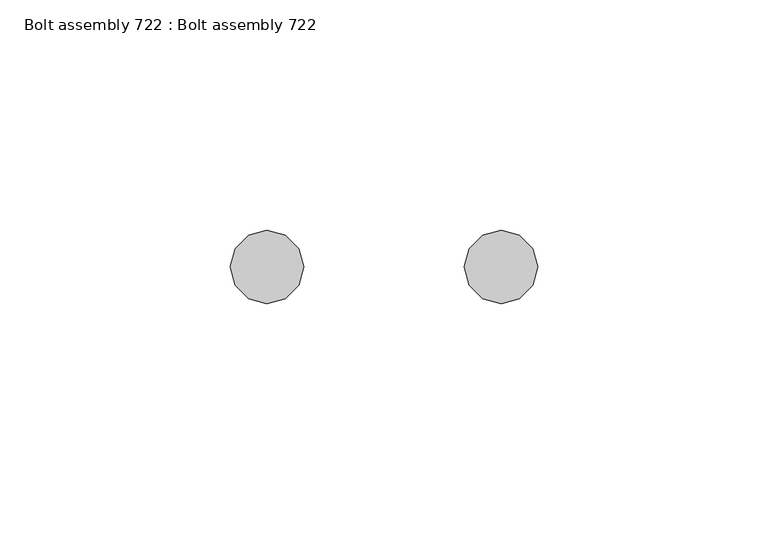
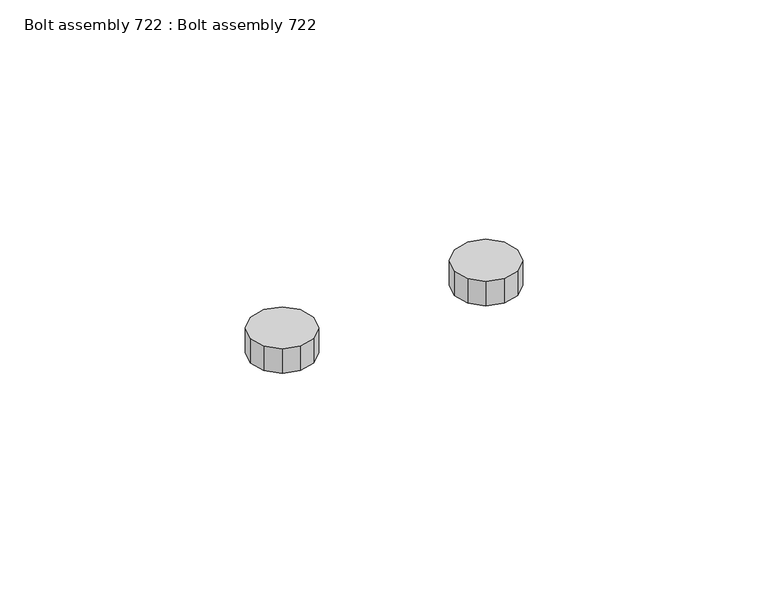
"""IFC4 building model written with IfcOpenShell, lengths in millimetres: proxy geometry, Bolt assembly 722 : Bolt assembly 722."""

from ifc_helpers import new_model, si_unit, frame, origin, place, context, project, spatial, polyline, outline, extrude, source, transform, mapped, element, save


def bolt_assembly_722_bolt_assembly_722_6913cfd1(model_context):
    return source(origin(), model_context, "Body", "SweptSolid", [
        extrude(outline(polyline([(-29.1012395, 2553.6934307), (-26.1949977, 2556.5996724), (-22.2249977, 2557.6634307), (-18.2549977, 2556.5996724), (-15.348756, 2553.6934307), (-14.2849977, 2549.7234306), (-15.348756, 2545.7534306), (-18.2549977, 2542.8471889), (-22.2249977, 2541.7834306), (-26.1949977, 2542.8471889), (-29.1012395, 2545.7534306), (-30.1649978, 2549.7234306), (-29.1012395, 2553.6934307)])), frame((0.0, 0.0, -26.9875), z_axis=(0.0, 0.0, 1.0), x_axis=(1.0, 0.0, 0.0)), (0.0, 0.0, 1.0), 6.45),
        extrude(outline(polyline([(21.6987574, 2553.6934307), (24.6049991, 2556.5996724), (28.5749991, 2557.6634307), (32.5449992, 2556.5996724), (35.4512409, 2553.6934307), (36.5149992, 2549.7234306), (35.4512409, 2545.7534306), (32.5449992, 2542.8471889), (28.5749991, 2541.7834306), (24.6049991, 2542.8471889), (21.6987574, 2545.7534306), (20.6349991, 2549.7234306), (21.6987574, 2553.6934307)])), frame((0.0, 0.0, -26.9875), z_axis=(0.0, 0.0, 1.0), x_axis=(1.0, 0.0, 0.0)), (0.0, 0.0, 1.0), 6.45),
    ])


if __name__ == "__main__":
    model = new_model("IFC4")
    model_context = context("Model", 3, world=origin())
    ifc_project = project(units=[si_unit("LENGTHUNIT", "METRE", prefix="MILLI")], contexts=[model_context])
    site = spatial("IfcSite", under=ifc_project)
    building = spatial("IfcBuilding", under=site)
    placement = place(None, origin())
    bolt_assembly_722_bolt_assembly_722_shape = bolt_assembly_722_bolt_assembly_722_6913cfd1(model_context)
    element("IfcBuildingElementProxy", 1, Name="Bolt assembly 722 : Bolt assembly 722", ObjectType="Bolt assembly 722 : Bolt assembly 722", at=placement, inside=building, context=model_context, shape_type="MappedRepresentation", body=[
        mapped(bolt_assembly_722_bolt_assembly_722_shape, transform((0.0, 0.0, 0.0), x_axis=(1.0, 0.0, 0.0), y_axis=(0.0, 1.0, 0.0), z_axis=(0.0, 0.0, 1.0))),
    ])
    save(model, "model.ifc")
